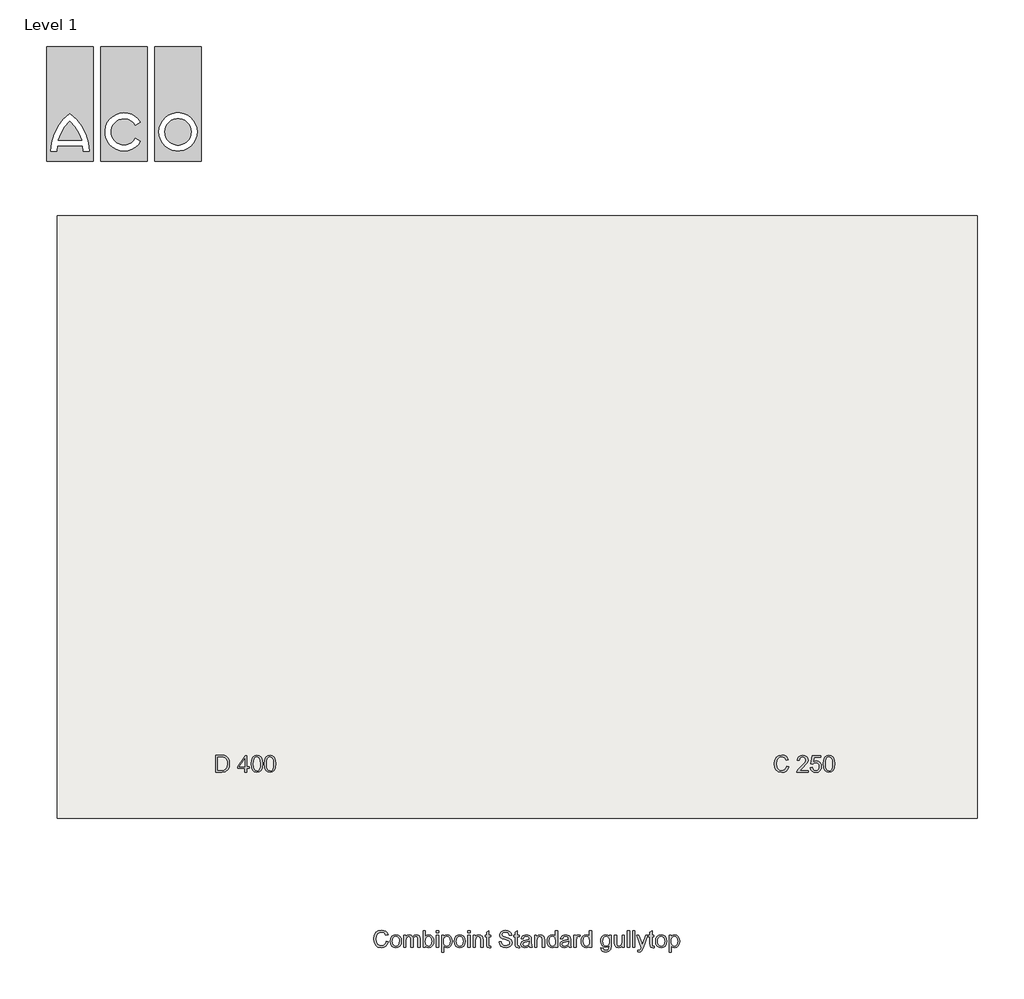
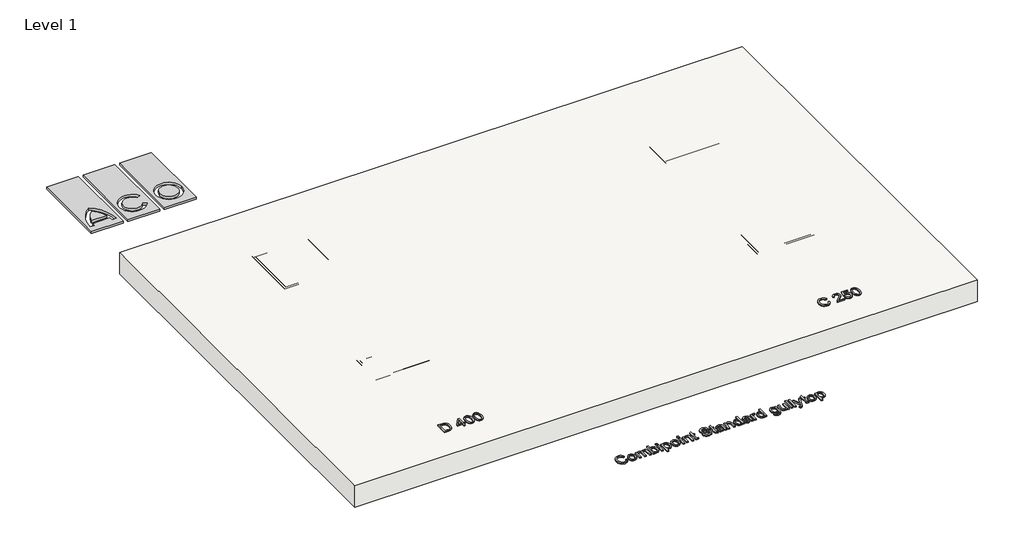
# One storey: 4 proxies, 4 sanitary terminals, 1 slab.
"""IFC4 building model written with IfcOpenShell, lengths in millimetres."""

import ifcopenshell
import ifcopenshell.guid

model = None  # the IFC model being written
_history = None  # IfcOwnerHistory: only IFC2X3 demands one
_inside = {}  # id of a spatial element -> (the spatial element, [elements in it])
_under = {}  # id of a project, library or spatial element -> (it, [spatial elements below it])
_declared = {}  # id of a project -> (the project, [libraries it declares])
_typed = {}  # id of a type object -> (the type object, [elements of that type])
_made_of = {}  # id of a material, layer set ... -> (it, [elements and type objects made of it])


def new_model(schema):
    """Start an empty IFC model of exactly this schema.

    Asked for "IFC4X3", IfcOpenShell would pick the latest addendum, in which some entities
    have other attributes; the version numbers below select the first issue.
    IFC2X3 requires an IfcOwnerHistory on every rooted entity: one is made here for all.
    """
    global model, _history
    if schema == "IFC4X3":
        model = ifcopenshell.file(schema_version=(4, 3, 0, 0))
    else:
        model = ifcopenshell.file(schema=schema)
    _inside.clear()
    _under.clear()
    _declared.clear()
    _typed.clear()
    _made_of.clear()
    _history = None
    if model.schema == "IFC2X3":
        org = make("IfcOrganization", Name="unknown")
        user = make(
            "IfcPersonAndOrganization",
            ThePerson=make("IfcPerson", FamilyName="unknown"),
            TheOrganization=org,
        )
        app = make(
            "IfcApplication",
            ApplicationDeveloper=org,
            Version="unknown",
            ApplicationFullName="unknown",
            ApplicationIdentifier="unknown",
        )
        _history = make(
            "IfcOwnerHistory",
            OwningUser=user,
            OwningApplication=app,
            ChangeAction="ADDED",
            CreationDate=0,
        )
    return model


def make(cls, **values):
    """One entity of the class cls with the attributes given. An attribute that is None is left unset."""
    return model.create_entity(
        cls, **{name: value for name, value in values.items() if value is not None}
    )


def rooted(cls, **values):
    """An entity with a GlobalId (a new one), such as an element, a storey or a relation."""
    return make(cls, GlobalId=ifcopenshell.guid.new(), OwnerHistory=_history, **values)


def si_unit(unit_type, name, prefix=None):
    """IfcSIUnit, for example si_unit("LENGTHUNIT", "METRE", prefix="MILLI")."""
    return make("IfcSIUnit", UnitType=unit_type, Prefix=prefix, Name=name)


def assignment(units):
    """IfcUnitAssignment: the units of a project."""
    return None if units is None else make("IfcUnitAssignment", Units=units)


def point(xyz):
    """IfcCartesianPoint."""
    return None if xyz is None else make("IfcCartesianPoint", Coordinates=xyz)


def direction(xyz):
    """IfcDirection."""
    return None if xyz is None else make("IfcDirection", DirectionRatios=xyz)


def frame(location, z_axis=None, x_axis=None):
    """IfcAxis2Placement3D, a coordinate frame: its origin and axes. An axis left out is left unset."""
    return make(
        "IfcAxis2Placement3D",
        Location=point(location),
        Axis=direction(z_axis),
        RefDirection=direction(x_axis),
    )


def frame_2d(location, x_axis=None):
    """IfcAxis2Placement2D, a coordinate frame in the plane: its origin and x axis."""
    return make(
        "IfcAxis2Placement2D", Location=point(location), RefDirection=direction(x_axis)
    )


def origin():
    """The frame at (0, 0, 0) with its axes left unset."""
    return frame((0.0, 0.0, 0.0))


def origin_with_axes():
    """The frame at (0, 0, 0) with the z axis (0, 0, 1) and the x axis (1, 0, 0) written out."""
    return frame((0.0, 0.0, 0.0), z_axis=(0.0, 0.0, 1.0), x_axis=(1.0, 0.0, 0.0))


def origin_2d():
    """The frame at (0, 0) in the plane with its x axis left unset."""
    return frame_2d((0.0, 0.0))


def place(relative_to, where):
    """IfcLocalPlacement: puts the frame where relative to a parent placement (None: the world)."""
    return make(
        "IfcLocalPlacement", PlacementRelTo=relative_to, RelativePlacement=where
    )


def context(
    kind, dimensions, precision=None, world=None, true_north=None, identifier=None
):
    """IfcGeometricRepresentationContext, for example the 3D "Model" context."""
    return make(
        "IfcGeometricRepresentationContext",
        ContextIdentifier=identifier,
        ContextType=kind,
        CoordinateSpaceDimension=dimensions,
        Precision=precision,
        WorldCoordinateSystem=world,
        TrueNorth=true_north,
    )


def project(units=None, contexts=None):
    """IfcProject with its units and contexts."""
    return rooted(
        "IfcProject",
        Name="project",
        RepresentationContexts=contexts,
        UnitsInContext=assignment(units),
    )


def spatial(cls, under=None, at=None, **own):
    """A site, building, storey or space (cls), placed at a placement, below another one or the project."""
    s = rooted(cls, ObjectPlacement=at, **own)
    if under is not None:
        _under.setdefault(under.id(), (under, []))[1].append(s)
    return s


def polyline(points):
    """IfcPolyline through the points."""
    return make("IfcPolyline", Points=[point(p) for p in points])


def circle_curve(where, radius):
    """IfcCircle in the frame where."""
    return make("IfcCircle", Position=where, Radius=radius)


def trimmed(basis, trim1, trim2, sense, master):
    """IfcTrimmedCurve: the piece of a basis curve between two trims."""
    return make(
        "IfcTrimmedCurve",
        BasisCurve=basis,
        Trim1=trim1,
        Trim2=trim2,
        SenseAgreement=sense,
        MasterRepresentation=master,
    )


def segment(curve, same_sense, transition):
    """IfcCompositeCurveSegment."""
    return make(
        "IfcCompositeCurveSegment",
        Transition=transition,
        SameSense=same_sense,
        ParentCurve=curve,
    )


def composite_curve(segments, self_intersect=None):
    """IfcCompositeCurve: segments joined end to end."""
    return make("IfcCompositeCurve", Segments=segments, SelfIntersect=self_intersect)


def outline(outer, holes=None, kind="AREA"):
    """IfcArbitraryClosedProfileDef: a profile drawn as a closed curve; with holes, ...WithVoids."""
    if holes is None:
        return make("IfcArbitraryClosedProfileDef", ProfileType=kind, OuterCurve=outer)
    return make(
        "IfcArbitraryProfileDefWithVoids",
        ProfileType=kind,
        OuterCurve=outer,
        InnerCurves=holes,
    )


def extrude(swept, where, along, depth):
    """IfcExtrudedAreaSolid: the profile swept, set in the frame where, extruded along a direction by depth."""
    return make(
        "IfcExtrudedAreaSolid",
        SweptArea=swept,
        Position=where,
        ExtrudedDirection=direction(along),
        Depth=depth,
    )


def shape(context_of_items, identifier, shape_type, items):
    """IfcShapeRepresentation: the items that make up one representation, for example the "Body"."""
    return make(
        "IfcShapeRepresentation",
        ContextOfItems=context_of_items,
        RepresentationIdentifier=identifier,
        RepresentationType=shape_type,
        Items=items,
    )


def source(mapping_origin, context_of_items, identifier, shape_type, items):
    """IfcRepresentationMap: a shape defined once, which mapped items show again and again."""
    return make(
        "IfcRepresentationMap",
        MappingOrigin=mapping_origin,
        MappedRepresentation=shape(context_of_items, identifier, shape_type, items),
    )


def transform(
    local_origin,
    x_axis=None,
    y_axis=None,
    z_axis=None,
    scale=None,
    scale2=None,
    scale3=None,
    uniform=True,
):
    """IfcCartesianTransformationOperator3D, or its non-uniform kind. x_axis, y_axis, z_axis: its Axis1, 2, 3."""
    if uniform:
        return make(
            "IfcCartesianTransformationOperator3D",
            Axis1=direction(x_axis),
            Axis2=direction(y_axis),
            LocalOrigin=point(local_origin),
            Scale=scale,
            Axis3=direction(z_axis),
        )
    return make(
        "IfcCartesianTransformationOperator3DnonUniform",
        Axis1=direction(x_axis),
        Axis2=direction(y_axis),
        LocalOrigin=point(local_origin),
        Scale=scale,
        Axis3=direction(z_axis),
        Scale2=scale2,
        Scale3=scale3,
    )


def mapped(mapping_source, mapping_target):
    """IfcMappedItem: shows the shape of a source again, moved by a transform."""
    return make(
        "IfcMappedItem", MappingSource=mapping_source, MappingTarget=mapping_target
    )


def made_of(thing, what):
    """Note that an element or type object is made of a material, layer set ...; save() writes the relation."""
    if what is not None:
        _made_of.setdefault(what.id(), (what, []))[1].append(thing)
    return thing


def element(
    cls,
    number,
    at=None,
    inside=None,
    cuts=None,
    type_object=None,
    material=None,
    context=None,
    identifier="Body",
    shape_type=None,
    held_by="IfcProductDefinitionShape",
    body=None,
    shapes=None,
    **own,
):
    """One element of the class cls, such as IfcWall. Its Tag is "e" and its number.

    at: its placement. inside: the storey or other place that contains it. cuts: it is an
    opening in that element (IfcRelVoidsElement). A single representation is given by context,
    identifier, shape_type and body (its items); several are given by shapes. held_by: the class
    of the entity that holds the representations. save() writes the other relations.
    """
    e = rooted(cls, Tag="e%d" % number, ObjectPlacement=at, **own)
    if body is not None:
        shapes = [shape(context, identifier, shape_type, body)]
    if shapes is not None:
        e.Representation = make(held_by, Representations=shapes)
    if inside is not None:
        _inside.setdefault(inside.id(), (inside, []))[1].append(e)
    if cuts is not None:
        rooted(
            "IfcRelVoidsElement", RelatingBuildingElement=cuts, RelatedOpeningElement=e
        )
    if type_object is not None:
        _typed.setdefault(type_object.id(), (type_object, []))[1].append(e)
    return made_of(e, material)


def aggregate(whole, parts):
    """IfcRelAggregates: a whole, such as a stair, and the parts it consists of."""
    return rooted("IfcRelAggregates", RelatingObject=whole, RelatedObjects=parts)


def save(model, path):
    """Write the relations noted so far, then the file.

    IfcRelAggregates (storeys below a building ...), IfcRelContainedInSpatialStructure (elements
    in a storey), IfcRelDefinesByType, IfcRelAssociatesMaterial and IfcRelDeclares: one each for
    every whole, place, type object, material and project.
    """
    for whole, parts in _under.values():
        aggregate(whole, parts)
    for where, things in _inside.values():
        rooted(
            "IfcRelContainedInSpatialStructure",
            RelatedElements=things,
            RelatingStructure=where,
        )
    for kind, things in _typed.values():
        rooted("IfcRelDefinesByType", RelatedObjects=things, RelatingType=kind)
    for what, things in _made_of.values():
        rooted("IfcRelAssociatesMaterial", RelatedObjects=things, RelatingMaterial=what)
    for by, libraries in _declared.values():
        rooted("IfcRelDeclares", RelatingContext=by, RelatedDefinitions=libraries)
    model.write(path)


def plane_surface(at):
    """IfcPlane: the flat surface through the origin of the frame at, square to its z axis."""
    return make("IfcPlane", Position=at)


def cylinder_surface(at, radius):
    """IfcCylindricalSurface: all points at the distance radius from the z axis of the frame at."""
    return make("IfcCylindricalSurface", Position=at, Radius=radius)


def revolved_surface(curve, axis_point, axis_direction):
    """IfcSurfaceOfRevolution: the curve turned about the line through axis_point along axis_direction."""
    return make(
        "IfcSurfaceOfRevolution",
        SweptCurve=make("IfcArbitraryOpenProfileDef", ProfileType="CURVE", Curve=curve),
        AxisPosition=make("IfcAxis1Placement", Location=point(axis_point), Axis=direction(axis_direction)),
    )


def advanced_brep(points, edges, surfaces, faces):
    """IfcAdvancedBrep: a solid bounded by faces that lie on surfaces and meet in shared edges.

    An edge is (start, end): straight between two places in points (the first is 0);
    or (start, end, curve); or (start, end, curve, False) where it runs against its curve.
    A face is (place in surfaces, loops), or (place, loops, False) where it looks against
    its surface's normal. A loop lists edges by number (the first is 1), with a minus sign
    where the edge is run from its end to its start. The first loop is the outer one.
    """
    corners = [point(p) for p in points]
    vertices = [make("IfcVertexPoint", VertexGeometry=c) for c in corners]
    made = []
    for start, end, *more in edges:
        made.append(
            make(
                "IfcEdgeCurve",
                EdgeStart=vertices[start],
                EdgeEnd=vertices[end],
                EdgeGeometry=more[0] if more else make("IfcPolyline", Points=[corners[start], corners[end]]),
                SameSense=more[1] if len(more) > 1 else True,
            )
        )
    hull = []
    for where, loops, *sense in faces:
        bounds = []
        for j, loop in enumerate(loops):
            ring = [make("IfcOrientedEdge", EdgeElement=made[abs(k) - 1], Orientation=k > 0) for k in loop]
            bounds.append(
                make(
                    "IfcFaceOuterBound" if j == 0 else "IfcFaceBound",
                    Bound=make("IfcEdgeLoop", EdgeList=ring),
                    Orientation=True,
                )
            )
        hull.append(make("IfcAdvancedFace", Bounds=bounds, FaceSurface=surfaces[where], SameSense=sense[0] if sense else True))
    return make("IfcAdvancedBrep", Outer=make("IfcClosedShell", CfsFaces=hull))


def aco_logo_2_aco_logo_2_fd4f08f5(model_context):
    return source(origin(), model_context, "Body", "SweptSolid", [
        extrude(outline(composite_curve([segment(trimmed(circle_curve(frame_2d((322.6916659, 0.0)), 78.8446383), [point((243.8470276, 0.0))], [point((401.5363043, 0.0))], False, "CARTESIAN"), True, "CONTINUOUS"), segment(trimmed(circle_curve(frame_2d((322.6916659, 0.0)), 78.8446383), [point((401.5363043, 0.0))], [point((243.8470276, 0.0))], False, "CARTESIAN"), True, "CONTINUOUS")], self_intersect=False)), origin_with_axes(), (0.0, 0.0, 1.0), 20.0),
        extrude(outline(composite_curve([segment(trimmed(circle_curve(frame_2d((-489.1421711, -116.655693)), 245.2949397), [point((-322.6918325, 63.5216981))], [point((-253.4274551, -48.7721153))], False, "CARTESIAN"), True, "CONTINUOUS"), segment(polyline([(-253.4274551, -48.7721153), (-391.9570627, -48.7721153)]), True, "CONTINUOUS"), segment(trimmed(circle_curve(frame_2d((-156.2447263, -116.6554892)), 245.2925967), [point((-391.9570627, -48.7721153))], [point((-322.6918325, 63.5216981))], False, "CARTESIAN"), True, "CONTINUOUS")], self_intersect=False)), origin_with_axes(), (0.0, 0.0, 1.0), 20.0),
        extrude(outline(polyline([(-182.6922589, -175.0), (-462.6922589, -175.0), (-462.6922589, 510.0), (-182.6922589, 510.0), (-182.6922589, -175.0)]), holes=[composite_curve([segment(trimmed(circle_curve(frame_2d((-489.1421711, -116.655693)), 245.2949397), [point((-246.0556797, -83.8141768))], [point((-243.8503465, -115.4194717))], False, "CARTESIAN"), True, "CONTINUOUS"), segment(polyline([(-243.8503465, -115.4194717), (-208.8078956, -115.4194717)]), True, "CONTINUOUS"), segment(trimmed(circle_curve(frame_2d((-489.1421711, -116.655693)), 280.3370012), [point((-208.8078956, -115.4194717))], [point((-322.691871, 108.917204))], True, "CARTESIAN"), True, "CONTINUOUS"), segment(trimmed(circle_curve(frame_2d((-156.2447263, -116.6554892)), 280.3349638), [point((-322.691871, 108.917204))], [point((-436.5769652, -115.4194717))], True, "CARTESIAN"), True, "CONTINUOUS"), segment(polyline([(-436.5769652, -115.4194717), (-401.533291, -115.4194717)]), True, "CONTINUOUS"), segment(trimmed(circle_curve(frame_2d((-156.2414664, -116.655693)), 245.2949397), [point((-401.533291, -115.4194717))], [point((-399.3279577, -83.8141768))], False, "CARTESIAN"), True, "CONTINUOUS"), segment(polyline([(-399.3279577, -83.8141768), (-246.0556797, -83.8141768)]), True, "CONTINUOUS")], self_intersect=False)]), origin_with_axes(), (0.0, 0.0, 1.0), 20.0),
        extrude(outline(polyline([(140.0, -175.0), (-140.0, -175.0), (-140.0, 510.0), (140.0, 510.0), (140.0, -175.0)]), holes=[composite_curve([segment(trimmed(circle_curve(origin_2d(), 78.8445365), [point((68.281376, -39.4222605))], [point((67.5433761, 40.6737418))], False, "CARTESIAN"), True, "CONTINUOUS"), segment(polyline([(67.5433761, 40.6737418), (97.8942123, 58.1969105)]), True, "CONTINUOUS"), segment(trimmed(circle_curve(origin_2d(), 113.8865979), [point((97.8942123, 58.1969105))], [point((98.6286808, -56.9433097))], True, "CARTESIAN"), True, "CONTINUOUS"), segment(polyline([(98.6286808, -56.9433097), (68.281376, -39.4222605)]), True, "CONTINUOUS")], self_intersect=False)]), origin_with_axes(), (0.0, 0.0, 1.0), 20.0),
        extrude(outline(polyline([(462.6916659, -175.0), (182.6916659, -175.0), (182.6916659, 510.0), (462.6916659, 510.0), (462.6916659, -175.0)]), holes=[composite_curve([segment(trimmed(circle_curve(frame_2d((322.6916659, 0.0)), 113.8866998), [point((208.8049661, 0.0))], [point((436.5783657, 0.0))], True, "CARTESIAN"), True, "CONTINUOUS"), segment(trimmed(circle_curve(frame_2d((322.6916659, 0.0)), 113.8866998), [point((436.5783657, 0.0))], [point((208.8049661, 0.0))], True, "CARTESIAN"), True, "CONTINUOUS")], self_intersect=False)]), origin_with_axes(), (0.0, 0.0, 1.0), 20.0),
    ])


def std_nested_886b1ac0(model_context):
    return source(origin(), model_context, "Body", "SweptSolid", [
        extrude(outline(composite_curve([segment(trimmed(circle_curve(origin_2d(), 190.0), [point((122.7802916, 145.0))], [point((122.7802916, -145.0))], False, "CARTESIAN"), True, "CONTINUOUS"), segment(polyline([(122.7802916, -145.0), (-122.7802916, -145.0)]), True, "CONTINUOUS"), segment(trimmed(circle_curve(origin_2d(), 190.0), [point((-122.7802916, -145.0))], [point((-122.7802916, 145.0))], False, "CARTESIAN"), True, "CONTINUOUS"), segment(polyline([(-122.7802916, 145.0), (122.7802916, 145.0)]), True, "CONTINUOUS")], self_intersect=False), holes=[composite_curve([segment(trimmed(circle_curve(origin_2d(), 183.0), [point((-120.1873537, 138.0))], [point((-120.1873537, -138.0))], True, "CARTESIAN"), True, "CONTINUOUS"), segment(polyline([(-120.1873537, -138.0), (120.1873537, -138.0)]), True, "CONTINUOUS"), segment(trimmed(circle_curve(origin_2d(), 183.0), [point((120.1873537, -138.0))], [point((120.1873537, 138.0))], True, "CARTESIAN"), True, "CONTINUOUS"), segment(polyline([(120.1873537, 138.0), (-120.1873537, 138.0)]), True, "CONTINUOUS")], self_intersect=False)]), frame((0.0, 0.0, -130.0), z_axis=(0.0, 0.0, 1.0), x_axis=(1.0, 0.0, 0.0)), (0.0, 0.0, 1.0), 30.0),
        extrude(outline(polyline([(250.0, 150.0), (250.0, -150.0), (-250.0, -150.0), (-250.0, 150.0), (250.0, 150.0)]), holes=[polyline([(235.0, 135.0), (-235.0, 135.0), (-235.0, -135.0), (235.0, -135.0), (235.0, 135.0)])]), frame((0.0, 0.0, -100.0), z_axis=(0.0, 0.0, 1.0), x_axis=(1.0, 0.0, 0.0)), (0.0, 0.0, 1.0), 100.0),
        extrude(outline(polyline([(230.0, 130.0), (230.0, -130.0), (-230.0, -130.0), (-230.0, 130.0), (230.0, 130.0)])), frame((0.0, 0.0, -100.0), z_axis=(0.0, 0.0, 1.0), x_axis=(1.0, 0.0, 0.0)), (0.0, 0.0, 1.0), 100.0),
    ])


def std_nested_42bc1c03(model_context):
    return source(origin(), model_context, "Body", "SolidModel", [
        extrude(outline(polyline([(-250.0, 250.0), (250.0, 250.0), (250.0, -250.0), (-250.0, -250.0), (-250.0, 250.0)]), holes=[composite_curve([segment(trimmed(circle_curve(origin_2d(), 184.0), [point((184.0, 0.0))], [point((-184.0, 0.0))], True, "CARTESIAN"), True, "CONTINUOUS"), segment(trimmed(circle_curve(origin_2d(), 184.0), [point((-184.0, 0.0))], [point((184.0, 0.0))], True, "CARTESIAN"), True, "CONTINUOUS")], self_intersect=False)]), frame((0.0, 0.0, -150.0), z_axis=(0.0, 0.0, 1.0), x_axis=(1.0, 0.0, 0.0)), (0.0, 0.0, 1.0), 76.0),
        advanced_brep(
        [(184.0, 0.0, -180.0), (-184.0, 0.0, -180.0), (175.5, 0.0, -180.0), (-175.5, 0.0, -180.0), (-175.5, 0.0, -150.0), (175.5, 0.0, -150.0), (-184.0, 0.0, -150.0), (184.0, 0.0, -150.0), (184.0, 0.0, -74.0), (-184.0, 0.0, -74.0), (175.5, 0.0, -74.0), (-175.5, 0.0, -74.0)],
        [
            (0, 1, circle_curve(frame((0.0, 0.0, -180.0), z_axis=(0.0, 0.0, -1.0), x_axis=(-1.0, 0.0, 0.0)), 184.0)),
            (1, 0, circle_curve(frame((0.0, 0.0, -180.0), z_axis=(0.0, 0.0, -1.0), x_axis=(-1.0, 0.0, 0.0)), 184.0)),
            (2, 3, circle_curve(frame((0.0, 0.0, -180.0), z_axis=(0.0, 0.0, 1.0), x_axis=(-1.0, 0.0, 0.0)), 175.5)),
            (3, 2, circle_curve(frame((0.0, 0.0, -180.0), z_axis=(0.0, 0.0, 1.0), x_axis=(-1.0, 0.0, 0.0)), 175.5)),
            (3, 4),
            (4, 5, circle_curve(frame((0.0, 0.0, -150.0), z_axis=(0.0, 0.0, 1.0), x_axis=(-1.0, 0.0, 0.0)), 175.5)),
            (5, 2),
            (5, 4, circle_curve(frame((0.0, 0.0, -150.0), z_axis=(0.0, 0.0, 1.0), x_axis=(-1.0, 0.0, 0.0)), 175.5)),
            (1, 6),
            (6, 7, circle_curve(frame((0.0, 0.0, -150.0), z_axis=(0.0, 0.0, -1.0), x_axis=(-1.0, 0.0, 0.0)), 184.0)),
            (7, 0),
            (7, 6, circle_curve(frame((0.0, 0.0, -150.0), z_axis=(0.0, 0.0, -1.0), x_axis=(-1.0, 0.0, 0.0)), 184.0)),
            (8, 9, circle_curve(frame((0.0, 0.0, -74.0), z_axis=(0.0, 0.0, 1.0), x_axis=(-1.0, 0.0, 0.0)), 184.0)),
            (9, 8, circle_curve(frame((0.0, 0.0, -74.0), z_axis=(0.0, 0.0, 1.0), x_axis=(-1.0, 0.0, 0.0)), 184.0)),
            (10, 11, circle_curve(frame((0.0, 0.0, -74.0), z_axis=(0.0, 0.0, -1.0), x_axis=(-1.0, 0.0, 0.0)), 175.5)),
            (11, 10, circle_curve(frame((0.0, 0.0, -74.0), z_axis=(0.0, 0.0, -1.0), x_axis=(-1.0, 0.0, 0.0)), 175.5)),
            (10, 5),
            (4, 11),
            (8, 7),
            (6, 9),
        ],
        [
            plane_surface(frame((-175.5, 0.0, -180.0), z_axis=(0.0, 0.0, -1.0), x_axis=(0.0, -1.0, 0.0))),
            revolved_surface(polyline([(-175.5, 0.0, -180.0), (-175.5, 0.0, -150.0)]), (0.0, 0.0, -180.0), (0.0, 0.0, -1.0)),
            cylinder_surface(frame((0.0, 0.0, -150.0), z_axis=(0.0, 0.0, 1.0), x_axis=(-1.0, 0.0, 0.0)), 184.0),
            plane_surface(frame((-175.5, 0.0, -74.0), z_axis=(0.0, 0.0, 1.0), x_axis=(0.0, 1.0, 0.0))),
            revolved_surface(polyline([(-175.5, 0.0, -150.0), (-175.5, 0.0, -74.0)]), (0.0, 0.0, -150.0), (0.0, 0.0, -1.0)),
        ],
        [
            (0, [[1, 2], [3, 4]]),
            (1, [[-4, 5, 6, 7]]),
            (1, [[-3, -7, 8, -5]]),
            (2, [[-2, 9, 10, 11]]),
            (2, [[-1, -11, 12, -9]]),
            (3, [[13, 14], [15, 16]]),
            (4, [[-15, 17, -6, 18]]),
            (4, [[-16, -18, -8, -17]]),
            (2, [[-13, 19, -10, 20]]),
            (2, [[-14, -20, -12, -19]]),
        ],
    ),
        extrude(outline(polyline([(250.0, 250.0), (250.0, -250.0), (-250.0, -250.0), (-250.0, 250.0), (250.0, 250.0)]), holes=[polyline([(235.0, 235.0), (-235.0, 235.0), (-235.0, -235.0), (235.0, -235.0), (235.0, 235.0)])]), frame((0.0, 0.0, -75.0), z_axis=(0.0, 0.0, 1.0), x_axis=(1.0, 0.0, 0.0)), (0.0, 0.0, 1.0), 75.0),
        extrude(outline(polyline([(230.0, 230.0), (230.0, -230.0), (-230.0, -230.0), (-230.0, 230.0), (230.0, 230.0)])), frame((0.0, 0.0, -75.0), z_axis=(0.0, 0.0, 1.0), x_axis=(1.0, 0.0, 0.0)), (0.0, 0.0, 1.0), 75.0),
    ])


model = new_model("IFC4")

# Units and contexts
model_context = context("Model", 3, world=origin())
ifc_project = project(units=[si_unit("LENGTHUNIT", "METRE", prefix="MILLI")], contexts=[model_context])

# Site, building, storey
site = spatial("IfcSite", under=ifc_project)
building = spatial("IfcBuilding", under=site)
storey = spatial("IfcBuildingStorey", under=building, Name="Level 1", Elevation=0.0)

# Proxies
placement = place(None, origin())
element("IfcBuildingElementProxy", 1, Name="100mm ACO", ObjectType="100mm ACO", at=placement, inside=storey, context=model_context, shape_type="SweptSolid", body=[
    extrude(outline(polyline([(3937.9712974, -16864.8419175), (3932.0231046, -16879.7542368), (3922.8516099, -16890.3227383), (3910.9952428, -16896.6201828), (3896.992433, -16898.7193309), (3875.9645711, -16894.841182), (3861.543387, -16883.2067352), (3853.205003, -16866.1152309), (3850.4255417, -16845.8659092), (3853.6888621, -16824.3541883), (3863.4788234, -16808.0739665), (3878.3984188, -16797.8256123), (3897.0506416, -16794.4094943), (3910.4422609, -16796.2321515), (3921.7456462, -16801.7001232), (3930.4660242, -16810.68244), (3936.1086217, -16823.0481325), (3923.0698922, -16826.0749804), (3913.1598756, -16810.7224584), (3896.5558684, -16805.5855482), (3882.2511015, -16808.310439), (3871.875416, -16816.4851112), (3865.5670574, -16829.2437119), (3863.4642712, -16845.7203877), (3865.6907507, -16864.1907086), (3872.3701892, -16877.2258001), (3882.6294575, -16884.9639078), (3895.5954263, -16887.543277), (3906.2257744, -16885.9170738), (3914.6587474, -16881.0384644), (3920.8943452, -16872.8928964), (3924.9325678, -16861.4658178), (3937.9712974, -16864.8419175)])), origin_with_axes(), (0.0, 0.0, 1.0), 10.0),
    extrude(outline(polyline([(3982.6464088, -16822.3496291), (3995.8997826, -16824.7580105), (4006.6720143, -16831.9831548), (4013.8207597, -16843.6467058), (4016.2036749, -16859.3703077), (4013.6243057, -16877.7496777), (4005.886198, -16889.813413), (3994.9175123, -16896.4928514), (3982.6464088, -16898.7193309), (3969.9823972, -16896.4310048), (3959.1155765, -16889.5660263), (3951.6394076, -16877.7314875), (3949.1473513, -16860.53448), (3951.5557327, -16843.7194666), (3958.780877, -16831.8085289), (3969.5640227, -16824.7143541), (3982.6464088, -16822.3496291)]), holes=[polyline([(3982.6464088, -16889.4059527), (3991.5050323, -16887.3868414), (3997.9407222, -16881.3295074), (4003.1649453, -16860.0688111), (4001.6879017, -16847.7140327), (3997.2567709, -16838.8226669), (3990.6500932, -16833.4529223), (3982.6464088, -16831.6630074), (3974.4862887, -16833.4783885), (3967.9341816, -16838.924532), (3963.6231061, -16847.9650574), (3962.1860809, -16860.5635843), (3963.6485723, -16873.1184548), (3968.0360466, -16882.144428), (3974.61362, -16887.5905715), (3982.6464088, -16889.4059527)])]), origin_with_axes(), (0.0, 0.0, 1.0), 10.0),
    extrude(outline(polyline([(4127.9642141, -16896.8566553), (4114.9254845, -16896.8566553), (4114.9254845, -16849.8823036), (4114.2706376, -16841.0200421), (4110.8654337, -16834.5006773), (4102.2942153, -16831.6630074), (4090.2159278, -16836.843574), (4086.3959875, -16843.6394298), (4085.1226741, -16853.6658635), (4085.1226741, -16896.8566553), (4072.0839445, -16896.8566553), (4072.0839445, -16848.4852969), (4068.8824707, -16835.2428372), (4059.8019269, -16831.6630074), (4047.1997619, -16837.2655865), (4043.510791, -16845.3092894), (4042.281134, -16858.2352398), (4042.281134, -16896.8566553), (4029.2424044, -16896.8566553), (4029.2424044, -16824.2123048), (4040.4184584, -16824.2123048), (4040.4184584, -16834.1659778), (4049.8555299, -16825.3037163), (4062.4795231, -16822.3496291), (4075.736535, -16825.5365507), (4083.2599984, -16835.1264199), (4092.8353154, -16825.5438268), (4105.495689, -16822.3496291), (4115.3256688, -16823.8776052), (4122.3470828, -16828.4615336), (4126.5599313, -16836.1014142), (4127.9642141, -16846.7972471), (4127.9642141, -16896.8566553)])), origin_with_axes(), (0.0, 0.0, 1.0), 10.0),
    extrude(outline(polyline([(4159.8043261, -16831.4010686), (4168.2154708, -16824.612489), (4179.3624204, -16822.3496291), (4191.8590823, -16824.9108081), (4201.5835589, -16832.5943452), (4207.8373469, -16844.4106939), (4209.9219429, -16859.3703077), (4207.6299787, -16876.2035114), (4200.7540862, -16888.5764799), (4190.8076892, -16896.1836182), (4179.3042118, -16898.7193309), (4168.2227469, -16896.2309127), (4159.891639, -16888.7656579), (4159.6297002, -16896.8566553), (4146.5909707, -16896.8566553), (4146.5909707, -16796.27217), (4159.6297002, -16796.27217), (4159.8043261, -16831.4010686)]), holes=[polyline([(4178.0818309, -16889.4059527), (4185.5434477, -16887.5032586), (4191.5716773, -16881.7951764), (4195.5553293, -16872.6455098), (4196.8832133, -16860.4180628), (4191.9936897, -16839.4193052), (4186.1728283, -16833.6020818), (4178.4892912, -16831.6630074), (4170.8203063, -16833.6639285), (4164.8102669, -16839.6666918), (4159.6297002, -16859.9232896), (4161.783419, -16876.9784135), (4168.2736794, -16885.7242578), (4178.0818309, -16889.4059527)])]), origin_with_axes(), (0.0, 0.0, 1.0), 10.0),
    extrude(outline(polyline([(4237.8620777, -16809.3108995), (4224.8233481, -16809.3108995), (4224.8233481, -16796.27217), (4237.8620777, -16796.27217), (4237.8620777, -16809.3108995)])), origin_with_axes(), (0.0, 0.0, 1.0), 10.0),
    extrude(outline(polyline([(4237.8620777, -16896.8566553), (4224.8233481, -16896.8566553), (4224.8233481, -16824.2123048), (4237.8620777, -16824.2123048), (4237.8620777, -16896.8566553)])), origin_with_axes(), (0.0, 0.0, 1.0), 10.0),
    extrude(outline(polyline([(4269.6585332, -16832.9727012), (4278.1642669, -16825.0053971), (4289.9005788, -16822.3496291), (4302.2990136, -16824.9544646), (4311.7870177, -16832.7689711), (4317.8116093, -16844.7672217), (4319.8198065, -16859.9232896), (4317.5496705, -16875.9051922), (4310.7392627, -16888.2272282), (4300.625516, -16896.0963053), (4288.4453634, -16898.7193309), (4278.0114693, -16896.5801644), (4269.8768155, -16890.1626646), (4269.5275638, -16924.7967901), (4256.4888342, -16924.7967901), (4256.4888342, -16824.2123048), (4269.5275638, -16824.2123048), (4269.6585332, -16832.9727012)]), holes=[polyline([(4287.0192524, -16889.4059527), (4294.8373969, -16887.5687433), (4301.1784978, -16882.0571151), (4305.3804321, -16872.9074486), (4306.7810769, -16860.156124), (4305.4313647, -16848.0087139), (4301.3822279, -16839.0409492), (4295.230305, -16833.5074928), (4287.5722342, -16831.6630074), (4279.6449486, -16833.7184991), (4273.2674673, -16839.8849741), (4269.0655329, -16849.3256838), (4267.6648882, -16861.2038791), (4269.0073243, -16873.3876696), (4273.0346328, -16882.231741), (4279.21566, -16887.6123997), (4287.0192524, -16889.4059527)])]), origin_with_axes(), (0.0, 0.0, 1.0), 10.0),
    extrude(outline(polyline([(4364.4949179, -16822.3496291), (4377.7482917, -16824.7580105), (4388.5205234, -16831.9831548), (4395.6692688, -16843.6467058), (4398.0521839, -16859.3703077), (4395.4728147, -16877.7496777), (4387.7347071, -16889.813413), (4376.7660213, -16896.4928514), (4364.4949179, -16898.7193309), (4351.8309062, -16896.4310048), (4340.9640856, -16889.5660263), (4333.4879167, -16877.7314875), (4330.9958604, -16860.53448), (4333.4042418, -16843.7194666), (4340.6293861, -16831.8085289), (4351.4125318, -16824.7143541), (4364.4949179, -16822.3496291)]), holes=[polyline([(4364.4949179, -16889.4059527), (4373.3535413, -16887.3868414), (4379.7892312, -16881.3295074), (4385.0134544, -16860.0688111), (4383.5364108, -16847.7140327), (4379.10528, -16838.8226669), (4372.4986023, -16833.4529223), (4364.4949179, -16831.6630074), (4356.3347978, -16833.4783885), (4349.7826906, -16838.924532), (4345.4716151, -16847.9650574), (4344.03459, -16860.5635843), (4345.4970814, -16873.1184548), (4349.8845557, -16882.144428), (4356.4621291, -16887.5905715), (4364.4949179, -16889.4059527)])]), origin_with_axes(), (0.0, 0.0, 1.0), 10.0),
    extrude(outline(polyline([(4425.9923188, -16896.8566553), (4412.9535892, -16896.8566553), (4412.9535892, -16824.2123048), (4425.9923188, -16824.2123048), (4425.9923188, -16896.8566553)])), origin_with_axes(), (0.0, 0.0, 1.0), 10.0),
    extrude(outline(polyline([(4425.9923188, -16809.3108995), (4412.9535892, -16809.3108995), (4412.9535892, -16796.27217), (4425.9923188, -16796.27217), (4425.9923188, -16809.3108995)])), origin_with_axes(), (0.0, 0.0, 1.0), 10.0),
    extrude(outline(polyline([(4504.2246962, -16896.8566553), (4491.1859667, -16896.8566553), (4491.1859667, -16851.628562), (4487.3005417, -16835.9413405), (4476.4882916, -16831.6630074), (4466.4036492, -16834.3988122), (4459.6514499, -16842.1114536), (4457.6578049, -16856.1979383), (4457.6578049, -16896.8566553), (4444.6190753, -16896.8566553), (4444.6190753, -16824.2123048), (4455.7951292, -16824.2123048), (4455.7951292, -16834.3114993), (4465.7488023, -16825.3328206), (4479.0785749, -16822.3496291), (4490.5165676, -16824.4160349), (4499.3642769, -16830.6007002), (4503.3952235, -16839.3902009), (4504.2246962, -16852.006918), (4504.2246962, -16896.8566553)])), origin_with_axes(), (0.0, 0.0, 1.0), 10.0),
    extrude(outline(polyline([(4550.7915876, -16897.875306), (4541.6528352, -16898.7193309), (4529.9965602, -16895.8234524), (4525.529049, -16888.4746148), (4524.7141284, -16876.07618), (4524.7141284, -16833.525683), (4515.4007502, -16833.525683), (4515.4007502, -16824.2123048), (4524.7141284, -16824.2123048), (4524.7141284, -16805.7601741), (4537.752858, -16798.1348456), (4537.752858, -16824.2123048), (4548.9289119, -16824.2123048), (4548.9289119, -16833.525683), (4537.752858, -16833.525683), (4537.752858, -16878.6955676), (4538.8006131, -16886.9611909), (4544.1267013, -16889.4059527), (4549.1908507, -16889.4059527), (4550.7915876, -16897.875306)])), origin_with_axes(), (0.0, 0.0, 1.0), 10.0),
    extrude(outline(polyline([(4660.6894512, -16826.0749804), (4658.6667018, -16817.129044), (4654.1700864, -16810.7224584), (4647.1996048, -16806.8697758), (4637.7552572, -16805.5855482), (4622.0389314, -16809.5873905), (4617.4986594, -16814.5023803), (4615.9852355, -16821.2436654), (4620.4818509, -16831.3574122), (4638.7739079, -16837.687599), (4658.7249104, -16843.2028651), (4671.952818, -16852.1815439), (4676.0783535, -16859.304823), (4677.4535321, -16868.5090602), (4674.9323715, -16880.4163598), (4667.3688897, -16890.1190082), (4655.7526331, -16896.5692502), (4641.0731482, -16898.7193309), (4622.9848213, -16896.3327777), (4610.1061654, -16889.1731182), (4602.2480025, -16878.2153466), (4599.2211546, -16864.4344572), (4612.2598842, -16863.3284935), (4614.9047381, -16874.2680749), (4621.15125, -16881.766072), (4630.0389778, -16886.0989758), (4640.6074793, -16887.543277), (4657.8372291, -16882.7847228), (4662.7704091, -16877.1785056), (4664.4148025, -16869.8769626), (4662.7158386, -16862.5062968), (4657.6189468, -16857.4494235), (4634.2045317, -16849.9550644), (4619.9106789, -16845.5894183), (4610.2662391, -16839.681244), (4604.7764392, -16832.008621), (4602.9465059, -16822.3496291), (4605.2421081, -16811.2899924), (4612.1289148, -16802.3258658), (4622.9739072, -16796.3885872), (4637.1440667, -16794.4094943), (4651.7908093, -16796.4031393), (4663.2506302, -16802.3840744), (4670.8031979, -16812.0321522), (4673.7281808, -16825.0272254), (4660.6894512, -16826.0749804)])), origin_with_axes(), (0.0, 0.0, 1.0), 10.0),
    extrude(outline(polyline([(4722.1577478, -16897.875306), (4713.0189953, -16898.7193309), (4701.3627203, -16895.8234524), (4696.8952092, -16888.4746148), (4696.0802886, -16876.07618), (4696.0802886, -16833.525683), (4686.7669103, -16833.525683), (4686.7669103, -16824.2123048), (4696.0802886, -16824.2123048), (4696.0802886, -16805.7601741), (4709.1190182, -16798.1348456), (4709.1190182, -16824.2123048), (4720.2950721, -16824.2123048), (4720.2950721, -16833.525683), (4709.1190182, -16833.525683), (4709.1190182, -16878.6955676), (4710.1667732, -16886.9611909), (4715.4928614, -16889.4059527), (4720.5570109, -16889.4059527), (4722.1577478, -16897.875306)])), origin_with_axes(), (0.0, 0.0, 1.0), 10.0),
    extrude(outline(polyline([(4796.6647739, -16896.8566553), (4783.6260443, -16896.8566553), (4779.900693, -16888.0671545), (4767.3349084, -16896.0562868), (4753.7941296, -16898.7193309), (4743.7495056, -16897.2641156), (4736.0841587, -16892.8984695), (4731.2273775, -16886.1462703), (4729.6084504, -16877.5313954), (4731.1946351, -16869.1748212), (4735.9531893, -16862.4408121), (4744.6335489, -16857.5185462), (4757.9851498, -16854.5972014), (4769.3940382, -16852.8509429), (4779.900693, -16850.2897639), (4779.5659935, -16842.2133187), (4777.6160049, -16837.309243), (4772.4208861, -16833.2200878), (4762.7873605, -16831.6630074), (4750.6363122, -16834.8208247), (4744.5098556, -16846.5644126), (4731.471126, -16844.9636757), (4735.0473178, -16835.0973156), (4741.7594986, -16828.024969), (4751.6003924, -16823.7684641), (4764.5627232, -16822.3496291), (4783.9316396, -16826.2350541), (4791.5278637, -16835.606641), (4792.9394226, -16849.7367821), (4792.9394226, -16866.3553414), (4793.4924044, -16886.7283564), (4796.6647739, -16896.8566553)]), holes=[polyline([(4779.900693, -16864.2598313), (4779.900693, -16859.6031422), (4756.486278, -16864.9583347), (4746.1069545, -16869.0402138), (4742.64718, -16877.3276652), (4746.3725313, -16886.0007487), (4757.1120206, -16889.4059527), (4773.0175244, -16883.7015085), (4778.1799009, -16875.9888671), (4779.900693, -16864.2598313)])]), origin_with_axes(), (0.0, 0.0, 1.0), 10.0),
    extrude(outline(polyline([(4871.1718001, -16896.8566553), (4858.1330705, -16896.8566553), (4858.1330705, -16851.628562), (4854.2476455, -16835.9413405), (4843.4353954, -16831.6630074), (4833.350753, -16834.3988122), (4826.5985538, -16842.1114536), (4824.6049087, -16856.1979383), (4824.6049087, -16896.8566553), (4811.5661792, -16896.8566553), (4811.5661792, -16824.2123048), (4822.7422331, -16824.2123048), (4822.7422331, -16834.3114993), (4832.6959061, -16825.3328206), (4846.0256788, -16822.3496291), (4857.4636714, -16824.4160349), (4866.3113808, -16830.6007002), (4870.3423273, -16839.3902009), (4871.1718001, -16852.006918), (4871.1718001, -16896.8566553)])), origin_with_axes(), (0.0, 0.0, 1.0), 10.0),
    extrude(outline(polyline([(4949.4041776, -16896.8566553), (4936.365448, -16896.8566553), (4936.365448, -16888.6492407), (4927.9615793, -16896.2018084), (4916.5163105, -16898.7193309), (4904.5799066, -16896.0635629), (4894.7899453, -16888.0962588), (4888.2523903, -16875.8942781), (4886.0732053, -16860.53448), (4888.1614393, -16844.701737), (4894.4261414, -16832.5943452), (4904.1178757, -16824.9108081), (4916.4872062, -16822.3496291), (4927.837886, -16824.6488694), (4936.1035092, -16831.5465902), (4936.365448, -16796.27217), (4949.4041776, -16796.27217), (4949.4041776, -16896.8566553)]), holes=[polyline([(4918.0297345, -16889.4059527), (4925.1239094, -16887.6887985), (4931.0393598, -16882.5373362), (4935.0339259, -16873.893357), (4936.365448, -16861.6986523), (4931.4904765, -16839.8122134), (4925.5568359, -16833.7003089), (4917.505857, -16831.6630074), (4909.5130866, -16833.6566524), (4903.7540719, -16839.6375875), (4899.1119349, -16860.5635843), (4901.6149053, -16876.4108795), (4908.599939, -16886.1462703), (4918.0297345, -16889.4059527)])]), origin_with_axes(), (0.0, 0.0, 1.0), 10.0),
    extrude(outline(polyline([(5031.3619063, -16896.8566553), (5018.3231768, -16896.8566553), (5014.5978254, -16888.0671545), (5002.0320409, -16896.0562868), (4988.491262, -16898.7193309), (4978.446638, -16897.2641156), (4970.7812911, -16892.8984695), (4965.9245099, -16886.1462703), (4964.3055828, -16877.5313954), (4965.8917675, -16869.1748212), (4970.6503217, -16862.4408121), (4979.3306813, -16857.5185462), (4992.6822822, -16854.5972014), (5004.0911706, -16852.8509429), (5014.5978254, -16850.2897639), (5014.2631259, -16842.2133187), (5012.3131373, -16837.309243), (5007.1180185, -16833.2200878), (4997.4844929, -16831.6630074), (4985.3334447, -16834.8208247), (4979.206988, -16846.5644126), (4966.1682584, -16844.9636757), (4969.7444502, -16835.0973156), (4976.456631, -16828.024969), (4986.2975248, -16823.7684641), (4999.2598556, -16822.3496291), (5018.628772, -16826.2350541), (5026.2249961, -16835.606641), (5027.636555, -16849.7367821), (5027.636555, -16866.3553414), (5028.1895369, -16886.7283564), (5031.3619063, -16896.8566553)]), holes=[polyline([(5014.5978254, -16864.2598313), (5014.5978254, -16859.6031422), (4991.1834104, -16864.9583347), (4980.8040869, -16869.0402138), (4977.3443124, -16877.3276652), (4981.0696637, -16886.0007487), (4991.809153, -16889.4059527), (5007.7146568, -16883.7015085), (5012.8770333, -16875.9888671), (5014.5978254, -16864.2598313)])]), origin_with_axes(), (0.0, 0.0, 1.0), 10.0),
    extrude(outline(polyline([(5085.3795003, -16825.2018512), (5081.3048973, -16833.525683), (5072.748231, -16831.6630074), (5066.9200935, -16833.3001247), (5062.7072451, -16838.2114765), (5059.3020411, -16856.5471899), (5059.3020411, -16896.8566553), (5046.2633116, -16896.8566553), (5046.2633116, -16824.2123048), (5057.4393655, -16824.2123048), (5057.4393655, -16834.9808984), (5064.409847, -16825.5074464), (5072.8937526, -16822.3496291), (5085.3795003, -16825.2018512)])), origin_with_axes(), (0.0, 0.0, 1.0), 10.0),
    extrude(outline(polyline([(5152.4358238, -16896.8566553), (5139.3970943, -16896.8566553), (5139.3970943, -16888.6492407), (5130.9932256, -16896.2018084), (5119.5479568, -16898.7193309), (5107.6115529, -16896.0635629), (5097.8215916, -16888.0962588), (5091.2840366, -16875.8942781), (5089.1048516, -16860.53448), (5091.1930856, -16844.701737), (5097.4577877, -16832.5943452), (5107.149522, -16824.9108081), (5119.5188525, -16822.3496291), (5130.8695323, -16824.6488694), (5139.1351555, -16831.5465902), (5139.3970943, -16796.27217), (5152.4358238, -16796.27217), (5152.4358238, -16896.8566553)]), holes=[polyline([(5121.0613808, -16889.4059527), (5128.1555557, -16887.6887985), (5134.0710061, -16882.5373362), (5138.0655722, -16873.893357), (5139.3970943, -16861.6986523), (5134.5221228, -16839.8122134), (5128.5884822, -16833.7003089), (5120.5375033, -16831.6630074), (5112.5447329, -16833.6566524), (5106.7857182, -16839.6375875), (5102.1435812, -16860.5635843), (5104.6465516, -16876.4108795), (5111.6315853, -16886.1462703), (5121.0613808, -16889.4059527)])]), origin_with_axes(), (0.0, 0.0, 1.0), 10.0),
    extrude(outline(polyline([(5269.7843901, -16886.1462703), (5266.7138857, -16908.9203906), (5255.7852183, -16920.620322), (5237.0129403, -16924.7967901), (5225.7313832, -16923.3815932), (5216.5089559, -16919.1360024), (5210.3643091, -16911.6671095), (5208.3160935, -16900.5820066), (5221.354823, -16902.6484124), (5225.9533036, -16912.2673859), (5237.2166704, -16915.4834118), (5250.6046517, -16911.7726127), (5255.7997705, -16902.7357253), (5256.7456605, -16888.0380502), (5247.9197793, -16894.652004), (5237.0420446, -16896.8566553), (5224.5781251, -16894.2299916), (5214.8354583, -16886.3500004), (5208.5489279, -16874.468167), (5206.4534178, -16859.8359767), (5208.4470628, -16845.1091973), (5214.427998, -16833.0600141), (5223.9305542, -16825.0272254), (5236.4890627, -16822.3496291), (5247.6287363, -16824.7434584), (5256.4837217, -16831.9249461), (5256.7456605, -16824.2123048), (5269.7843901, -16824.2123048), (5269.7843901, -16886.1462703)]), holes=[polyline([(5238.9920331, -16887.543277), (5246.2462817, -16885.927988), (5252.6419532, -16881.0821208), (5257.1167404, -16872.4381416), (5258.6083361, -16859.4285164), (5257.1858631, -16847.5721492), (5252.9184441, -16838.8372191), (5246.555515, -16833.4565603), (5238.8465116, -16831.6630074), (5231.0792997, -16833.5002168), (5224.8909964, -16839.0118449), (5220.8418596, -16847.7176708), (5219.4921474, -16859.1374733), (5220.9073443, -16871.9288162), (5225.1529351, -16880.7328691), (5231.4431035, -16885.840675), (5238.9920331, -16887.543277)])]), origin_with_axes(), (0.0, 0.0, 1.0), 10.0),
    extrude(outline(polyline([(5348.0167675, -16896.8566553), (5336.8407136, -16896.8566553), (5336.8407136, -16886.2917918), (5326.5377889, -16895.6124461), (5313.4990593, -16898.7193309), (5299.2961574, -16895.1831576), (5290.5939696, -16885.4477669), (5288.4111466, -16869.3530851), (5288.4111466, -16824.2123048), (5301.4498762, -16824.2123048), (5301.4498762, -16865.4240036), (5302.3521097, -16879.5978012), (5307.0670074, -16886.6410435), (5316.1475513, -16889.4059527), (5328.9679985, -16884.4582205), (5333.4755281, -16876.8619963), (5334.9780379, -16863.9687883), (5334.9780379, -16824.2123048), (5348.0167675, -16824.2123048), (5348.0167675, -16896.8566553)])), origin_with_axes(), (0.0, 0.0, 1.0), 10.0),
    extrude(outline(polyline([(5379.6822536, -16896.8566553), (5366.6435241, -16896.8566553), (5366.6435241, -16796.27217), (5379.6822536, -16796.27217), (5379.6822536, -16896.8566553)])), origin_with_axes(), (0.0, 0.0, 1.0), 10.0),
    extrude(outline(polyline([(5411.3477398, -16896.8566553), (5398.3090102, -16896.8566553), (5398.3090102, -16796.27217), (5411.3477398, -16796.27217), (5411.3477398, -16896.8566553)])), origin_with_axes(), (0.0, 0.0, 1.0), 10.0),
    extrude(outline(polyline([(5487.7174416, -16824.2123048), (5460.3884972, -16898.8066439), (5451.2934012, -16918.2628731), (5445.1705826, -16923.1633109), (5436.9013214, -16924.7967901), (5429.2759929, -16923.6326178), (5428.1118206, -16913.6207362), (5434.689394, -16915.4834118), (5443.595312, -16911.4961217), (5449.5034864, -16897.9335146), (5422.5237937, -16824.2123048), (5434.3110381, -16824.2123048), (5452.0355611, -16870.575466), (5455.3825564, -16881.5768941), (5460.3302886, -16867.8105568), (5475.9593015, -16824.2123048), (5487.7174416, -16824.2123048)])), origin_with_axes(), (0.0, 0.0, 1.0), 10.0),
    extrude(outline(polyline([(5526.8336303, -16897.875306), (5517.6948779, -16898.7193309), (5506.0386029, -16895.8234524), (5501.5710918, -16888.4746148), (5500.7561712, -16876.07618), (5500.7561712, -16833.525683), (5491.4427929, -16833.525683), (5491.4427929, -16824.2123048), (5500.7561712, -16824.2123048), (5500.7561712, -16805.7601741), (5513.7949007, -16798.1348456), (5513.7949007, -16824.2123048), (5524.9709547, -16824.2123048), (5524.9709547, -16833.525683), (5513.7949007, -16833.525683), (5513.7949007, -16878.6955676), (5514.8426558, -16886.9611909), (5520.168744, -16889.4059527), (5525.2328934, -16889.4059527), (5526.8336303, -16897.875306)])), origin_with_axes(), (0.0, 0.0, 1.0), 10.0),
    extrude(outline(polyline([(5567.7833904, -16822.3496291), (5581.0367642, -16824.7580105), (5591.8089959, -16831.9831548), (5598.9577413, -16843.6467058), (5601.3406565, -16859.3703077), (5598.7612873, -16877.7496777), (5591.0231796, -16889.813413), (5580.0544939, -16896.4928514), (5567.7833904, -16898.7193309), (5555.1193788, -16896.4310048), (5544.2525581, -16889.5660263), (5536.7763892, -16877.7314875), (5534.2843329, -16860.53448), (5536.6927143, -16843.7194666), (5543.9178586, -16831.8085289), (5554.7010044, -16824.7143541), (5567.7833904, -16822.3496291)]), holes=[polyline([(5567.7833904, -16889.4059527), (5576.6420139, -16887.3868414), (5583.0777038, -16881.3295074), (5588.3019269, -16860.0688111), (5586.8248833, -16847.7140327), (5582.3937526, -16838.8226669), (5575.7870748, -16833.4529223), (5567.7833904, -16831.6630074), (5559.6232703, -16833.4783885), (5553.0711632, -16838.924532), (5548.7600877, -16847.9650574), (5547.3230625, -16860.5635843), (5548.7855539, -16873.1184548), (5553.1730282, -16882.144428), (5559.7506016, -16887.5905715), (5567.7833904, -16889.4059527)])]), origin_with_axes(), (0.0, 0.0, 1.0), 10.0),
    extrude(outline(polyline([(5629.4117607, -16832.9727012), (5637.9174944, -16825.0053971), (5649.6538063, -16822.3496291), (5662.0522411, -16824.9544646), (5671.5402452, -16832.7689711), (5677.5648368, -16844.7672217), (5679.5730339, -16859.9232896), (5677.302898, -16875.9051922), (5670.4924901, -16888.2272282), (5660.3787434, -16896.0963053), (5648.1985909, -16898.7193309), (5637.7646968, -16896.5801644), (5629.630043, -16890.1626646), (5629.2807913, -16924.7967901), (5616.2420617, -16924.7967901), (5616.2420617, -16824.2123048), (5629.2807913, -16824.2123048), (5629.4117607, -16832.9727012)]), holes=[polyline([(5646.7724798, -16889.4059527), (5654.5906243, -16887.5687433), (5660.9317252, -16882.0571151), (5665.1336596, -16872.9074486), (5666.5343044, -16860.156124), (5665.1845921, -16848.0087139), (5661.1354554, -16839.0409492), (5654.9835325, -16833.5074928), (5647.3254617, -16831.6630074), (5639.398176, -16833.7184991), (5633.0206947, -16839.8849741), (5628.8187604, -16849.3256838), (5627.4181156, -16861.2038791), (5628.7605518, -16873.3876696), (5632.7878603, -16882.231741), (5638.9688875, -16887.6123997), (5646.7724798, -16889.4059527)])]), origin_with_axes(), (0.0, 0.0, 1.0), 10.0),
])
element("IfcBuildingElementProxy", 2, Name="100mm ACO", ObjectType="100mm ACO", at=placement, inside=storey, context=model_context, shape_type="SweptSolid", body=[
    extrude(outline(polyline([(2906.6107595, -15749.5320991), (2940.8374247, -15749.5320991), (2956.320916, -15750.4634369), (2968.7193509, -15754.9891566), (2979.065932, -15764.8991732), (2986.0364136, -15779.4076703), (2988.5684883, -15799.2713599), (2985.9636528, -15819.5243196), (2978.1491464, -15835.8118174), (2963.9826249, -15846.5403926), (2942.3217443, -15850.1165844), (2906.6107595, -15850.1165844), (2906.6107595, -15749.5320991)]), holes=[polyline([(2919.6494891, -15838.9405304), (2941.0993634, -15838.9405304), (2952.813847, -15838.0965055), (2963.2768454, -15833.5416815), (2972.051794, -15821.3760811), (2975.5297587, -15798.9803168), (2974.1909606, -15784.6027891), (2969.2723327, -15772.4226366), (2961.0503659, -15764.3752957), (2951.9989264, -15761.2611348), (2940.6919031, -15760.708153), (2919.6494891, -15760.708153), (2919.6494891, -15838.9405304)])]), origin_with_axes(), (0.0, 0.0, 1.0), 10.0),
    extrude(outline(polyline([(3105.9170545, -15825.9018009), (3092.8783249, -15825.9018009), (3092.8783249, -15850.1165844), (3079.8395953, -15850.1165844), (3079.8395953, -15825.9018009), (3036.9980553, -15825.9018009), (3036.9980553, -15816.5884226), (3082.1679399, -15751.3947747), (3092.8783249, -15751.3947747), (3092.8783249, -15816.5884226), (3105.9170545, -15816.5884226), (3105.9170545, -15825.9018009)]), holes=[polyline([(3079.8395953, -15816.5884226), (3079.8395953, -15770.4289915), (3047.8830662, -15816.5884226), (3079.8395953, -15816.5884226)])]), origin_with_axes(), (0.0, 0.0, 1.0), 10.0),
    extrude(outline(polyline([(3152.4548415, -15749.5320991), (3167.1361455, -15752.7372109), (3177.6227911, -15762.3525463), (3183.9147785, -15778.3781054), (3186.0121076, -15800.8138882), (3183.8438367, -15823.4170206), (3177.3390241, -15839.3625429), (3166.7814367, -15848.8250807), (3152.4548415, -15851.97926), (3137.7990039, -15848.7814243), (3127.3305484, -15839.1879171), (3121.0494752, -15823.1987383), (3118.9557841, -15800.8138882), (3121.124055, -15778.2143937), (3127.6288676, -15762.2215769), (3138.1719028, -15752.7044685), (3152.4548415, -15749.5320991)]), holes=[polyline([(3152.4839459, -15842.6658818), (3161.3753117, -15840.2174819), (3167.7928114, -15832.8722824), (3171.6782364, -15819.9608842), (3172.973378, -15800.8138882), (3170.7032421, -15776.4535831), (3163.8491778, -15763.2111234), (3152.3384243, -15758.8454773), (3143.4652487, -15761.3375336), (3137.1023196, -15768.8137025), (3133.2714651, -15781.7978615), (3131.9945137, -15800.8138882), (3134.3083061, -15825.0141195), (3141.1623704, -15838.3002357), (3152.4839459, -15842.6658818)])]), origin_with_axes(), (0.0, 0.0, 1.0), 10.0),
    extrude(outline(polyline([(3230.687219, -15749.5320991), (3245.3685229, -15752.7372109), (3255.8551686, -15762.3525463), (3262.147156, -15778.3781054), (3264.2444851, -15800.8138882), (3262.0762142, -15823.4170206), (3255.5714016, -15839.3625429), (3245.0138142, -15848.8250807), (3230.687219, -15851.97926), (3216.0313814, -15848.7814243), (3205.5629259, -15839.1879171), (3199.2818526, -15823.1987383), (3197.1881615, -15800.8138882), (3199.3564324, -15778.2143937), (3205.8612451, -15762.2215769), (3216.4042803, -15752.7044685), (3230.687219, -15749.5320991)]), holes=[polyline([(3230.7163233, -15842.6658818), (3239.6076891, -15840.2174819), (3246.0251889, -15832.8722824), (3249.9106139, -15819.9608842), (3251.2057555, -15800.8138882), (3248.9356196, -15776.4535831), (3242.0815552, -15763.2111234), (3230.5708018, -15758.8454773), (3221.6976262, -15761.3375336), (3215.334697, -15768.8137025), (3211.5038426, -15781.7978615), (3210.2268911, -15800.8138882), (3212.5406835, -15825.0141195), (3219.3947479, -15838.3002357), (3230.7163233, -15842.6658818)])]), origin_with_axes(), (0.0, 0.0, 1.0), 10.0),
])
element("IfcBuildingElementProxy", 3, Name="100mm ACO", ObjectType="100mm ACO", at=placement, inside=storey, context=model_context, shape_type="SweptSolid", body=[
    extrude(outline(polyline([(6330.4311639, -15818.1018466), (6324.4829712, -15833.0141659), (6315.3114764, -15843.5826674), (6303.4551093, -15849.8801119), (6289.4522996, -15851.97926), (6268.4244377, -15848.1011111), (6254.0032535, -15836.4666643), (6245.6648695, -15819.37516), (6242.8854082, -15799.1258383), (6246.1487286, -15777.6141174), (6255.9386899, -15761.3338956), (6270.8582854, -15751.0855414), (6289.5105082, -15747.6694234), (6302.9021275, -15749.4920806), (6314.2055127, -15754.9600523), (6322.9258908, -15763.9423691), (6328.5684883, -15776.3080616), (6315.5297587, -15779.3349095), (6305.6197422, -15763.9823875), (6289.015735, -15758.8454773), (6274.710968, -15761.5703681), (6264.3352825, -15769.7450403), (6258.026924, -15782.503641), (6255.9241378, -15798.9803168), (6258.1506173, -15817.4506377), (6264.8300558, -15830.4857292), (6275.089324, -15838.2238369), (6288.0552928, -15840.8032061), (6298.685641, -15839.1770029), (6307.118614, -15834.2983935), (6313.3542118, -15826.1528255), (6317.3924344, -15814.7257469), (6330.4311639, -15818.1018466)])), origin_with_axes(), (0.0, 0.0, 1.0), 10.0),
    extrude(outline(polyline([(6445.9170545, -15850.1165844), (6378.860731, -15850.1165844), (6384.8562182, -15834.4293628), (6407.0045959, -15812.6884454), (6424.8746405, -15795.2549655), (6430.8774038, -15786.1744217), (6432.8783249, -15777.0356693), (6427.4212673, -15763.9969397), (6413.6403779, -15758.8454773), (6399.524789, -15763.9823875), (6395.2319037, -15770.3889731), (6393.7621362, -15779.3349095), (6380.7234066, -15777.9379028), (6383.8812239, -15765.7650263), (6390.9681227, -15756.8372801), (6401.2419431, -15751.3583943), (6413.9605253, -15749.5320991), (6427.3958011, -15751.6312472), (6437.4913576, -15757.9286916), (6443.8106303, -15767.1947754), (6445.9170545, -15778.1998415), (6444.1562439, -15788.1607906), (6438.8738122, -15798.2527091), (6411.2829291, -15825.9309052), (6395.6248118, -15840.8032061), (6445.9170545, -15840.8032061), (6445.9170545, -15850.1165844)])), origin_with_axes(), (0.0, 0.0, 1.0), 10.0),
    extrude(outline(polyline([(6476.5347856, -15787.629637), (6495.3070636, -15783.0602608), (6506.8578355, -15785.2976544), (6516.8296987, -15792.0098353), (6523.7165054, -15802.4473674), (6526.0121076, -15815.8608149), (6523.6291925, -15829.7799498), (6516.4804471, -15841.4435009), (6505.4681049, -15849.3453202), (6491.4943994, -15851.97926), (6479.6853268, -15850.1602408), (6469.5788562, -15844.7031833), (6462.2955033, -15835.6808481), (6458.9557841, -15823.165996), (6471.9945137, -15822.1764496), (6478.8049215, -15837.5871802), (6491.6399209, -15842.6658818), (6500.2547958, -15840.7813779), (6507.0652037, -15835.1278662), (6511.4963345, -15826.7167215), (6512.973378, -15816.5593183), (6511.4926964, -15806.5328845), (6507.0506516, -15798.8638996), (6500.2802621, -15793.9962042), (6491.8145468, -15792.3736391), (6481.4170331, -15794.738364), (6473.7407721, -15801.8325389), (6460.8184597, -15800.3191149), (6470.5684026, -15751.3947747), (6522.2867563, -15751.3947747), (6522.2867563, -15760.708153), (6481.9190824, -15760.708153), (6476.5347856, -15787.629637)])), origin_with_axes(), (0.0, 0.0, 1.0), 10.0),
    extrude(outline(polyline([(6570.687219, -15749.5320991), (6585.3685229, -15752.7372109), (6595.8551686, -15762.3525463), (6602.147156, -15778.3781054), (6604.2444851, -15800.8138882), (6602.0762142, -15823.4170206), (6595.5714016, -15839.3625429), (6585.0138142, -15848.8250807), (6570.687219, -15851.97926), (6556.0313814, -15848.7814243), (6545.5629259, -15839.1879171), (6539.2818526, -15823.1987383), (6537.1881615, -15800.8138882), (6539.3564324, -15778.2143937), (6545.8612451, -15762.2215769), (6556.4042803, -15752.7044685), (6570.687219, -15749.5320991)]), holes=[polyline([(6570.7163233, -15842.6658818), (6579.6076891, -15840.2174819), (6586.0251889, -15832.8722824), (6589.9106139, -15819.9608842), (6591.2057555, -15800.8138882), (6588.9356196, -15776.4535831), (6582.0815552, -15763.2111234), (6570.5708018, -15758.8454773), (6561.6976262, -15761.3375336), (6555.334697, -15768.8137025), (6551.5038426, -15781.7978615), (6550.2268911, -15800.8138882), (6552.5406835, -15825.0141195), (6559.3947479, -15838.3002357), (6570.7163233, -15842.6658818)])]), origin_with_axes(), (0.0, 0.0, 1.0), 10.0),
])
aco_logo_2_aco_logo_2_shape = aco_logo_2_aco_logo_2_fd4f08f5(model_context)
element("IfcBuildingElementProxy", 4, Name="ACO logo_2 : ACO logo_2", ObjectType="ACO logo_2 : ACO logo_2", at=placement, inside=storey, context=model_context, shape_type="MappedRepresentation", body=[
    mapped(aco_logo_2_aco_logo_2_shape, transform((2358.0357745, -12024.0914164, 0.0), x_axis=(1.0, 0.0, 0.0), y_axis=(0.0, 1.0, 0.0), z_axis=(0.0, 0.0, 1.0))),
])

# Sanitary terminals
std_nested_shape = std_nested_886b1ac0(model_context)
element("IfcSanitaryTerminal", 5, ObjectType="std(nested)", at=placement, inside=storey, context=model_context, shape_type="MappedRepresentation", body=[
    mapped(std_nested_shape, transform((6421.5937424, -14829.8175154, 0.0), x_axis=(-1.0, 0.0, 0.0), y_axis=(0.0, -1.0, 0.0), z_axis=(0.0, 0.0, 1.0))),
])
element("IfcSanitaryTerminal", 6, ObjectType="std(nested)", at=placement, inside=storey, context=model_context, shape_type="MappedRepresentation", body=[
    mapped(std_nested_shape, transform((3058.0357745, -14829.8175154, 0.0), x_axis=(-1.0, 0.0, 0.0), y_axis=(0.0, -1.0, 0.0), z_axis=(0.0, 0.0, 1.0))),
])
std_nested_2_shape = std_nested_42bc1c03(model_context)
element("IfcSanitaryTerminal", 7, ObjectType="std(nested)", at=placement, inside=storey, context=model_context, shape_type="MappedRepresentation", body=[
    mapped(std_nested_2_shape, transform((3058.0357745, -13329.0914164, 0.0), x_axis=(1.0, 0.0, 0.0), y_axis=(0.0, 1.0, 0.0), z_axis=(0.0, 0.0, 1.0))),
])
element("IfcSanitaryTerminal", 8, ObjectType="std(nested)", at=placement, inside=storey, context=model_context, shape_type="MappedRepresentation", body=[
    mapped(std_nested_2_shape, transform((6421.5937424, -13329.0914164, 0.0), x_axis=(1.0, 0.0, 0.0), y_axis=(0.0, 1.0, 0.0), z_axis=(0.0, 0.0, 1.0))),
])

# Slab
element("IfcSlab", 9, ObjectType="Floor 1", at=placement, inside=storey, context=model_context, shape_type="SweptSolid", body=[
    extrude(outline(polyline([(2453.3522404, -12524.0914164), (7458.0357745, -12524.0914164), (7458.0357745, -16124.0914164), (1958.0357745, -16124.0914164), (1958.0357745, -12524.0914164), (2453.3522404, -12524.0914164)])), frame((0.0, 0.0, -200.0), z_axis=(0.0, 0.0, 1.0), x_axis=(1.0, 0.0, 0.0)), (0.0, 0.0, 1.0), 200.0),
])

save(model, "model.ifc")
